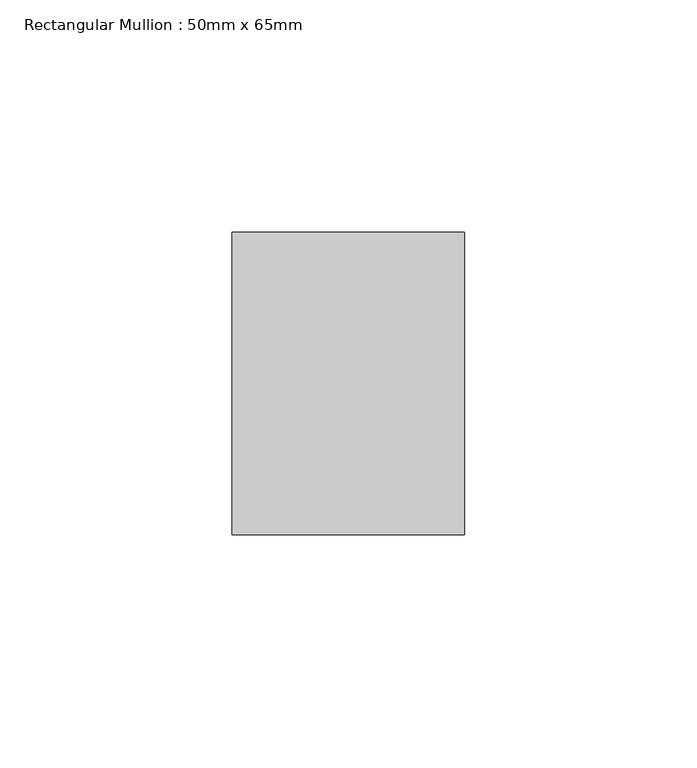
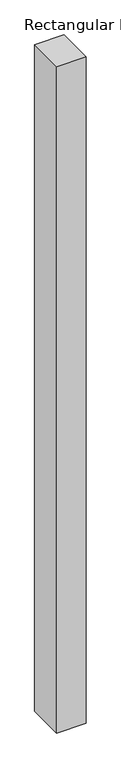
"""IFC4 building model written with IfcOpenShell, lengths in millimetres: member geometry, Rectangular Mullion : 50mm x 65mm."""

from ifc_helpers import new_model, si_unit, frame, origin, place, context, project, spatial, polyline, outline, extrude, source, transform, mapped, element, save


def rectangular_mullion_50mm_x_65mm_75f36917(model_context):
    return source(origin(), model_context, "Body", "SweptSolid", [
        extrude(outline(polyline([(25.0, 32.5), (25.0, -32.5), (-25.0, -32.5), (-25.0, 32.5), (25.0, 32.5)])), frame((0.0, 0.0, -1200.0), z_axis=(0.0, 0.0, 1.0), x_axis=(1.0, 0.0, 0.0)), (0.0, 0.0, 1.0), 1200.0),
    ])


if __name__ == "__main__":
    model = new_model("IFC4")
    model_context = context("Model", 3, world=origin())
    ifc_project = project(units=[si_unit("LENGTHUNIT", "METRE", prefix="MILLI")], contexts=[model_context])
    site = spatial("IfcSite", under=ifc_project)
    building = spatial("IfcBuilding", under=site)
    placement = place(None, origin())
    rectangular_mullion_50mm_x_65mm_shape = rectangular_mullion_50mm_x_65mm_75f36917(model_context)
    element("IfcMember", 1, ObjectType="Rectangular Mullion : 50mm x 65mm", at=placement, inside=building, context=model_context, shape_type="MappedRepresentation", body=[
        mapped(rectangular_mullion_50mm_x_65mm_shape, transform((0.0, 0.0, 0.0), x_axis=(1.0, 0.0, 0.0), y_axis=(0.0, 1.0, 0.0), z_axis=(0.0, 0.0, 1.0))),
    ])
    save(model, "model.ifc")
